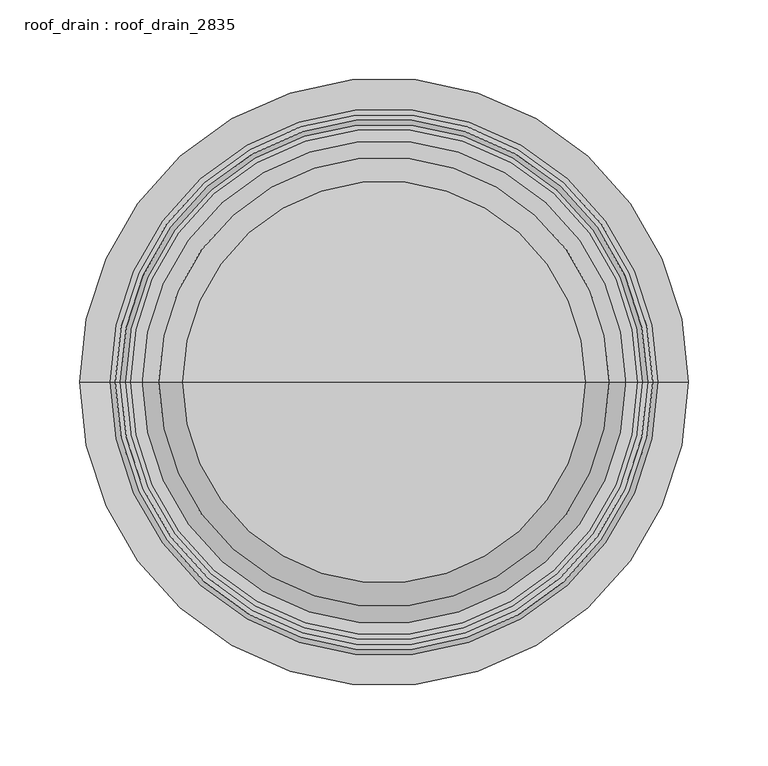
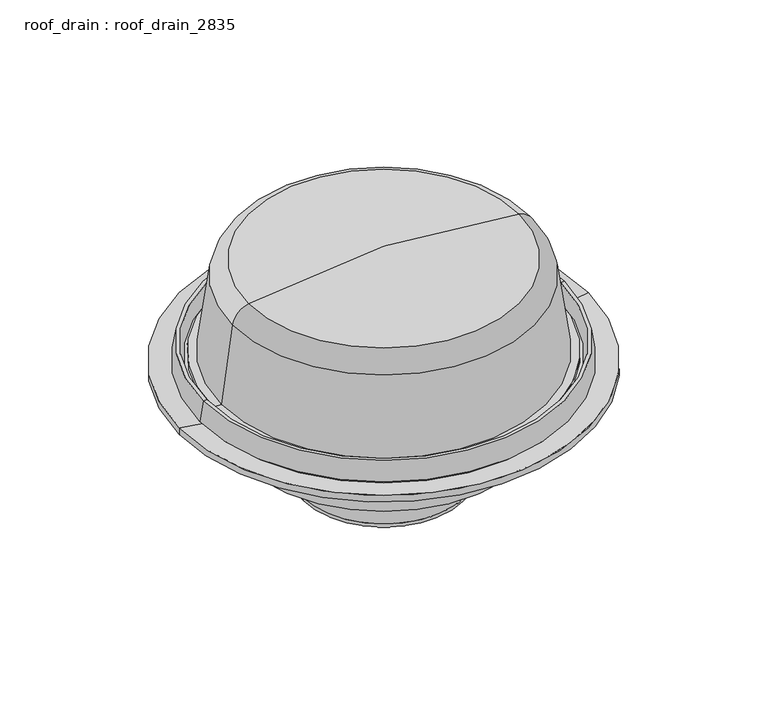
"""IFC4 building model written with IfcOpenShell, lengths in millimetres: proxy geometry, roof_drain : roof_drain_2835."""

from ifc_helpers import new_model, si_unit, point, frame, origin, place, context, project, spatial, polyline, circle_curve, ellipse_curve, trimmed, source, transform, mapped, element, save
from ifc_brep_helpers import plane_surface, cylinder_surface, revolved_surface, advanced_brep


def roof_drain_roof_drain_2835_c456325a(model_context):
    return source(origin(), model_context, "Body", "AdvancedBrep", [
        advanced_brep(
        [(-336.55, 0.0, 3732.1447843), (-19.05, 0.0, 3732.1447843), (12.7, 0.0, 3736.9072843), (-368.3, 0.0, 3736.9072843), (-312.7375, 0.0, 3732.1447843), (-42.8625, 0.0, 3732.1447843), (-312.7375, 0.0, 3698.8072843), (-42.8625, 0.0, 3698.8072843), (-292.1, 0.0, 3678.1697843), (-63.5, 0.0, 3678.1697843), (-263.525, 0.0, 3678.1697843), (-92.075, 0.0, 3678.1697843), (-249.2375, 0.0, 3663.8822843), (-106.3625, 0.0, 3663.8822843), (-249.2375, 0.0, 3628.9572843), (-106.3625, 0.0, 3628.9572843), (-247.65, 0.0, 3627.3697843), (-107.95, 0.0, 3627.3697843), (-244.475, 0.0, 3627.3697843), (-111.125, 0.0, 3627.3697843), (-244.475, 0.0, 3622.6072843), (-111.125, 0.0, 3622.6072843), (-247.65, 0.0, 3622.6072843), (-107.95, 0.0, 3622.6072843), (-254.0, 0.0, 3628.9572843), (-101.6, 0.0, 3628.9572843), (-254.0, 0.0, 3663.8822843), (-101.6, 0.0, 3663.8822843), (-263.525, 0.0, 3673.4072843), (-92.075, 0.0, 3673.4072843), (-292.1, 0.0, 3673.4072843), (-63.5, 0.0, 3673.4072843), (-317.5, 0.0, 3698.8072843), (-38.1, 0.0, 3698.8072843), (-317.5, 0.0, 3724.2072843), (-38.1, 0.0, 3724.2072843), (-368.3, 0.0, 3730.5572843), (12.7, 0.0, 3730.5572843)],
        [
            (0, 1, circle_curve(frame((-177.8, 0.0, 3732.1447843), z_axis=(0.0, 0.0, -1.0), x_axis=(1.0, 0.0, 0.0)), 158.75)),
            (1, 2),
            (2, 3, circle_curve(frame((-177.8, 0.0, 3736.9072843), z_axis=(0.0, 0.0, 1.0), x_axis=(1.0, 0.0, 0.0)), 190.5)),
            (3, 0),
            (1, 0, circle_curve(frame((-177.8, 0.0, 3732.1447843), z_axis=(0.0, 0.0, -1.0), x_axis=(1.0, 0.0, 0.0)), 158.75)),
            (3, 2, circle_curve(frame((-177.8, 0.0, 3736.9072843), z_axis=(0.0, 0.0, 1.0), x_axis=(1.0, 0.0, 0.0)), 190.5)),
            (4, 5, circle_curve(frame((-177.8, 0.0, 3732.1447843), z_axis=(0.0, 0.0, -1.0), x_axis=(1.0, 0.0, 0.0)), 134.9375)),
            (5, 1),
            (0, 4),
            (5, 4, circle_curve(frame((-177.8, 0.0, 3732.1447843), z_axis=(0.0, 0.0, -1.0), x_axis=(1.0, 0.0, 0.0)), 134.9375)),
            (6, 7, circle_curve(frame((-177.8, 0.0, 3698.8072843), z_axis=(0.0, 0.0, -1.0), x_axis=(1.0, 0.0, 0.0)), 134.9375)),
            (7, 5),
            (4, 6),
            (7, 6, circle_curve(frame((-177.8, 0.0, 3698.8072843), z_axis=(0.0, 0.0, -1.0), x_axis=(1.0, 0.0, 0.0)), 134.9375)),
            (8, 9, circle_curve(frame((-177.8, 0.0, 3678.1697843), z_axis=(0.0, 0.0, -1.0), x_axis=(1.0, 0.0, 0.0)), 114.3)),
            (9, 7, circle_curve(frame((-63.5, 0.0, 3698.8072843), z_axis=(0.0, -1.0, 0.0), x_axis=(1.0, 0.0, 0.0)), 20.6375)),
            (6, 8, circle_curve(frame((-292.1, 0.0, 3698.8072843), z_axis=(0.0, -1.0, 0.0), x_axis=(-1.0, 0.0, 0.0)), 20.6375)),
            (9, 8, circle_curve(frame((-177.8, 0.0, 3678.1697843), z_axis=(0.0, 0.0, -1.0), x_axis=(1.0, 0.0, 0.0)), 114.3)),
            (10, 11, circle_curve(frame((-177.8, 0.0, 3678.1697843), z_axis=(0.0, 0.0, -1.0), x_axis=(1.0, 0.0, 0.0)), 85.725)),
            (11, 9),
            (8, 10),
            (11, 10, circle_curve(frame((-177.8, 0.0, 3678.1697843), z_axis=(0.0, 0.0, -1.0), x_axis=(1.0, 0.0, 0.0)), 85.725)),
            (12, 13, circle_curve(frame((-177.8, 0.0, 3663.8822843), z_axis=(0.0, 0.0, -1.0), x_axis=(1.0, 0.0, 0.0)), 71.4375)),
            (13, 11, circle_curve(frame((-92.075, 0.0, 3663.8822843), z_axis=(0.0, 1.0, 0.0), x_axis=(1.0, 0.0, 0.0)), 14.2875)),
            (10, 12, circle_curve(frame((-263.525, 0.0, 3663.8822843), z_axis=(0.0, 1.0, 0.0), x_axis=(-1.0, 0.0, 0.0)), 14.2875)),
            (13, 12, circle_curve(frame((-177.8, 0.0, 3663.8822843), z_axis=(0.0, 0.0, -1.0), x_axis=(1.0, 0.0, 0.0)), 71.4375)),
            (14, 15, circle_curve(frame((-177.8, 0.0, 3628.9572843), z_axis=(0.0, 0.0, -1.0), x_axis=(1.0, 0.0, 0.0)), 71.4375)),
            (15, 13),
            (12, 14),
            (15, 14, circle_curve(frame((-177.8, 0.0, 3628.9572843), z_axis=(0.0, 0.0, -1.0), x_axis=(1.0, 0.0, 0.0)), 71.4375)),
            (16, 17, circle_curve(frame((-177.8, 0.0, 3627.3697843), z_axis=(0.0, 0.0, -1.0), x_axis=(1.0, 0.0, 0.0)), 69.85)),
            (17, 15, circle_curve(frame((-107.95, 0.0, 3628.9572843), z_axis=(0.0, -1.0, 0.0), x_axis=(1.0, 0.0, 0.0)), 1.5875)),
            (14, 16, circle_curve(frame((-247.65, 0.0, 3628.9572843), z_axis=(0.0, -1.0, 0.0), x_axis=(-1.0, 0.0, 0.0)), 1.5875)),
            (17, 16, circle_curve(frame((-177.8, 0.0, 3627.3697843), z_axis=(0.0, 0.0, -1.0), x_axis=(1.0, 0.0, 0.0)), 69.85)),
            (18, 19, circle_curve(frame((-177.8, 0.0, 3627.3697843), z_axis=(0.0, 0.0, -1.0), x_axis=(1.0, 0.0, 0.0)), 66.675)),
            (19, 17),
            (16, 18),
            (19, 18, circle_curve(frame((-177.8, 0.0, 3627.3697843), z_axis=(0.0, 0.0, -1.0), x_axis=(1.0, 0.0, 0.0)), 66.675)),
            (20, 21, circle_curve(frame((-177.8, 0.0, 3622.6072843), z_axis=(0.0, 0.0, -1.0), x_axis=(1.0, 0.0, 0.0)), 66.675)),
            (21, 19),
            (18, 20),
            (21, 20, circle_curve(frame((-177.8, 0.0, 3622.6072843), z_axis=(0.0, 0.0, -1.0), x_axis=(1.0, 0.0, 0.0)), 66.675)),
            (22, 23, circle_curve(frame((-177.8, 0.0, 3622.6072843), z_axis=(0.0, 0.0, -1.0), x_axis=(1.0, 0.0, 0.0)), 69.85)),
            (23, 21),
            (20, 22),
            (23, 22, circle_curve(frame((-177.8, 0.0, 3622.6072843), z_axis=(0.0, 0.0, -1.0), x_axis=(1.0, 0.0, 0.0)), 69.85)),
            (24, 25, circle_curve(frame((-177.8, 0.0, 3628.9572843), z_axis=(0.0, 0.0, -1.0), x_axis=(1.0, 0.0, 0.0)), 76.2)),
            (25, 23, circle_curve(frame((-107.95, 0.0, 3628.9572843), z_axis=(0.0, 1.0, 0.0), x_axis=(1.0, 0.0, 0.0)), 6.35)),
            (22, 24, circle_curve(frame((-247.65, 0.0, 3628.9572843), z_axis=(0.0, 1.0, 0.0), x_axis=(-1.0, 0.0, 0.0)), 6.35)),
            (25, 24, circle_curve(frame((-177.8, 0.0, 3628.9572843), z_axis=(0.0, 0.0, -1.0), x_axis=(1.0, 0.0, 0.0)), 76.2)),
            (26, 27, circle_curve(frame((-177.8, 0.0, 3663.8822843), z_axis=(0.0, 0.0, -1.0), x_axis=(1.0, 0.0, 0.0)), 76.2)),
            (27, 25),
            (24, 26),
            (27, 26, circle_curve(frame((-177.8, 0.0, 3663.8822843), z_axis=(0.0, 0.0, -1.0), x_axis=(1.0, 0.0, 0.0)), 76.2)),
            (28, 29, circle_curve(frame((-177.8, 0.0, 3673.4072843), z_axis=(0.0, 0.0, -1.0), x_axis=(1.0, 0.0, 0.0)), 85.725)),
            (29, 27, circle_curve(frame((-92.075, 0.0, 3663.8822843), z_axis=(0.0, -1.0, 0.0), x_axis=(1.0, 0.0, 0.0)), 9.525)),
            (26, 28, circle_curve(frame((-263.525, 0.0, 3663.8822843), z_axis=(0.0, -1.0, 0.0), x_axis=(-1.0, 0.0, 0.0)), 9.525)),
            (29, 28, circle_curve(frame((-177.8, 0.0, 3673.4072843), z_axis=(0.0, 0.0, -1.0), x_axis=(1.0, 0.0, 0.0)), 85.725)),
            (30, 31, circle_curve(frame((-177.8, 0.0, 3673.4072843), z_axis=(0.0, 0.0, -1.0), x_axis=(1.0, 0.0, 0.0)), 114.3)),
            (31, 29),
            (28, 30),
            (31, 30, circle_curve(frame((-177.8, 0.0, 3673.4072843), z_axis=(0.0, 0.0, -1.0), x_axis=(1.0, 0.0, 0.0)), 114.3)),
            (32, 33, circle_curve(frame((-177.8, 0.0, 3698.8072843), z_axis=(0.0, 0.0, -1.0), x_axis=(1.0, 0.0, 0.0)), 139.7)),
            (33, 31, circle_curve(frame((-63.5, 0.0, 3698.8072843), z_axis=(0.0, 1.0, 0.0), x_axis=(1.0, 0.0, 0.0)), 25.4)),
            (30, 32, circle_curve(frame((-292.1, 0.0, 3698.8072843), z_axis=(0.0, 1.0, 0.0), x_axis=(-1.0, 0.0, 0.0)), 25.4)),
            (33, 32, circle_curve(frame((-177.8, 0.0, 3698.8072843), z_axis=(0.0, 0.0, -1.0), x_axis=(1.0, 0.0, 0.0)), 139.7)),
            (34, 35, circle_curve(frame((-177.8, 0.0, 3724.2072843), z_axis=(0.0, 0.0, -1.0), x_axis=(1.0, 0.0, 0.0)), 139.7)),
            (35, 33),
            (32, 34),
            (35, 34, circle_curve(frame((-177.8, 0.0, 3724.2072843), z_axis=(0.0, 0.0, -1.0), x_axis=(1.0, 0.0, 0.0)), 139.7)),
            (36, 37, circle_curve(frame((-177.8, 0.0, 3730.5572843), z_axis=(0.0, 0.0, -1.0), x_axis=(1.0, 0.0, 0.0)), 190.5)),
            (37, 35),
            (34, 36),
            (37, 36, circle_curve(frame((-177.8, 0.0, 3730.5572843), z_axis=(0.0, 0.0, -1.0), x_axis=(1.0, 0.0, 0.0)), 190.5)),
            (2, 37),
            (36, 3),
        ],
        [
            revolved_surface(polyline([(12.7, 0.0, 3736.9072843), (-19.05, 0.0, 3732.1447843)]), (-177.8, 0.0, 3578.1572843), (0.0, 0.0, 1.0)),
            plane_surface(frame((-177.8, 0.0, 3732.1447843), z_axis=(0.0, 0.0, 1.0), x_axis=(1.0, 0.0, 0.0))),
            revolved_surface(polyline([(-42.86250000000001, 0.0, 3732.1447843), (-42.86250000000001, 0.0, 3698.8072843)]), (-177.8, 0.0, 3578.1572843), (0.0, 0.0, 1.0)),
            revolved_surface(trimmed(ellipse_curve(frame((-63.5, 0.0, 3698.8072843), z_axis=(0.0, 1.0, 0.0), x_axis=(1.0, 0.0, 0.0)), 20.6375, 20.6375), [point((-42.8625, 0.0, 3698.8072843))], [point((-63.5, 0.0, 3678.1697843))], True, "CARTESIAN"), (-177.8, 0.0, 3578.1572843), (0.0, 0.0, 1.0)),
            plane_surface(frame((-177.8, 0.0, 3678.1697843), z_axis=(0.0, 0.0, 1.0), x_axis=(1.0, 0.0, 0.0))),
            revolved_surface(trimmed(ellipse_curve(frame((-92.075, 0.0, 3663.8822843), z_axis=(0.0, -1.0, 0.0), x_axis=(1.0, 0.0, 0.0)), 14.2875, 14.2875), [point((-92.075, 0.0, 3678.1697843))], [point((-106.3625, 0.0, 3663.8822843))], True, "CARTESIAN"), (-177.8, 0.0, 3578.1572843), (0.0, 0.0, 1.0)),
            revolved_surface(polyline([(-106.36250000000001, 0.0, 3663.8822843), (-106.36250000000001, 0.0, 3628.9572843)]), (-177.8, 0.0, 3578.1572843), (0.0, 0.0, 1.0)),
            revolved_surface(trimmed(ellipse_curve(frame((-107.95, 0.0, 3628.9572843), z_axis=(0.0, 1.0, 0.0), x_axis=(1.0, 0.0, 0.0)), 1.5875, 1.5875), [point((-106.3625, 0.0, 3628.9572843))], [point((-107.95, 0.0, 3627.3697843))], True, "CARTESIAN"), (-177.8, 0.0, 3578.1572843), (0.0, 0.0, 1.0)),
            plane_surface(frame((-177.8, 0.0, 3627.3697843), z_axis=(0.0, 0.0, 1.0), x_axis=(1.0, 0.0, 0.0))),
            revolved_surface(polyline([(-111.12500000000001, 0.0, 3627.3697843), (-111.12500000000001, 0.0, 3622.6072843)]), (-177.8, 0.0, 3578.1572843), (0.0, 0.0, 1.0)),
            plane_surface(frame((-177.8, 0.0, 3622.6072843), z_axis=(0.0, 0.0, -1.0), x_axis=(1.0, 0.0, 0.0))),
            revolved_surface(trimmed(ellipse_curve(frame((-107.95, 0.0, 3628.9572843), z_axis=(0.0, -1.0, 0.0), x_axis=(1.0, 0.0, 0.0)), 6.35, 6.35), [point((-107.95, 0.0, 3622.6072843))], [point((-101.6, 0.0, 3628.9572843))], True, "CARTESIAN"), (-177.8, 0.0, 3578.1572843), (0.0, 0.0, 1.0)),
            cylinder_surface(frame((-177.8, 0.0, 3578.1572843), z_axis=(0.0, 0.0, 1.0), x_axis=(1.0, 0.0, 0.0)), 76.2),
            revolved_surface(trimmed(ellipse_curve(frame((-92.075, 0.0, 3663.8822843), z_axis=(0.0, 1.0, 0.0), x_axis=(1.0, 0.0, 0.0)), 9.525, 9.525), [point((-101.6, 0.0, 3663.8822843))], [point((-92.075, 0.0, 3673.4072843))], True, "CARTESIAN"), (-177.8, 0.0, 3578.1572843), (0.0, 0.0, 1.0)),
            plane_surface(frame((-177.8, 0.0, 3673.4072843), z_axis=(0.0, 0.0, -1.0), x_axis=(1.0, 0.0, 0.0))),
            revolved_surface(trimmed(ellipse_curve(frame((-63.5, 0.0, 3698.8072843), z_axis=(0.0, -1.0, 0.0), x_axis=(1.0, 0.0, 0.0)), 25.4, 25.4), [point((-63.5, 0.0, 3673.4072843))], [point((-38.1, 0.0, 3698.8072843))], True, "CARTESIAN"), (-177.8, 0.0, 3578.1572843), (0.0, 0.0, 1.0)),
            cylinder_surface(frame((-177.8, 0.0, 3578.1572843), z_axis=(0.0, 0.0, 1.0), x_axis=(1.0, 0.0, 0.0)), 139.7),
            revolved_surface(polyline([(-38.1, 0.0, 3724.2072843), (12.7, 0.0, 3730.5572843)]), (-177.8, 0.0, 3578.1572843), (0.0, 0.0, 1.0)),
            cylinder_surface(frame((-177.8, 0.0, 3578.1572843), z_axis=(0.0, 0.0, 1.0), x_axis=(1.0, 0.0, 0.0)), 190.5),
        ],
        [
            (0, [[1, 2, 3, 4]]),
            (0, [[5, -4, 6, -2]]),
            (1, [[7, 8, -1, 9]]),
            (1, [[10, -9, -5, -8]]),
            (2, [[11, 12, -7, 13]]),
            (2, [[14, -13, -10, -12]]),
            (3, [[15, 16, -11, 17]]),
            (3, [[18, -17, -14, -16]]),
            (4, [[19, 20, -15, 21]]),
            (4, [[22, -21, -18, -20]]),
            (5, [[23, 24, -19, 25]]),
            (5, [[26, -25, -22, -24]]),
            (6, [[27, 28, -23, 29]]),
            (6, [[30, -29, -26, -28]]),
            (7, [[31, 32, -27, 33]]),
            (7, [[34, -33, -30, -32]]),
            (8, [[35, 36, -31, 37]]),
            (8, [[38, -37, -34, -36]]),
            (9, [[39, 40, -35, 41]]),
            (9, [[42, -41, -38, -40]]),
            (10, [[43, 44, -39, 45]]),
            (10, [[46, -45, -42, -44]]),
            (11, [[47, 48, -43, 49]]),
            (11, [[50, -49, -46, -48]]),
            (12, [[51, 52, -47, 53]]),
            (12, [[54, -53, -50, -52]]),
            (13, [[55, 56, -51, 57]]),
            (13, [[58, -57, -54, -56]]),
            (14, [[59, 60, -55, 61]]),
            (14, [[62, -61, -58, -60]]),
            (15, [[63, 64, -59, 65]]),
            (15, [[66, -65, -62, -64]]),
            (16, [[67, 68, -63, 69]]),
            (16, [[70, -69, -66, -68]]),
            (17, [[71, 72, -67, 73]]),
            (17, [[74, -73, -70, -72]]),
            (18, [[-3, 75, -71, 76]]),
            (18, [[-6, -76, -74, -75]]),
        ],
    ),
        advanced_brep(
        [(-339.725, 0.0, 3741.6697843), (-15.875, 0.0, 3741.6697843), (-12.7, 0.0, 3755.9572843), (-342.9, 0.0, 3755.9572843), (-288.925, 0.0, 3741.6697843), (-66.675, 0.0, 3741.6697843), (-291.0416667, 0.0, 3728.9697843), (-64.5583333, 0.0, 3728.9697843), (-300.5666667, 0.0, 3728.9697843), (-55.0333333, 0.0, 3728.9697843), (-301.0958333, 0.0, 3732.1447843), (-54.5041667, 0.0, 3732.1447843), (-336.55, 0.0, 3732.1447843), (-19.05, 0.0, 3732.1447843), (-346.075, 0.0, 3733.7322843), (-9.525, 0.0, 3733.7322843), (-349.25, 0.0, 3736.9072843), (-6.35, 0.0, 3736.9072843), (-346.075, 0.0, 3755.9572843), (-9.525, 0.0, 3755.9572843)],
        [
            (0, 1, circle_curve(frame((-177.8, 0.0, 3741.6697843), z_axis=(0.0, 0.0, -1.0), x_axis=(1.0, 0.0, 0.0)), 161.925)),
            (1, 2),
            (2, 3, circle_curve(frame((-177.8, 0.0, 3755.9572843), z_axis=(0.0, 0.0, 1.0), x_axis=(1.0, 0.0, 0.0)), 165.1)),
            (3, 0),
            (1, 0, circle_curve(frame((-177.8, 0.0, 3741.6697843), z_axis=(0.0, 0.0, -1.0), x_axis=(1.0, 0.0, 0.0)), 161.925)),
            (3, 2, circle_curve(frame((-177.8, 0.0, 3755.9572843), z_axis=(0.0, 0.0, 1.0), x_axis=(1.0, 0.0, 0.0)), 165.1)),
            (4, 5, circle_curve(frame((-177.8, 0.0, 3741.6697843), z_axis=(0.0, 0.0, -1.0), x_axis=(1.0, 0.0, 0.0)), 111.125)),
            (5, 1),
            (0, 4),
            (5, 4, circle_curve(frame((-177.8, 0.0, 3741.6697843), z_axis=(0.0, 0.0, -1.0), x_axis=(1.0, 0.0, 0.0)), 111.125)),
            (6, 7, circle_curve(frame((-177.8, 0.0, 3728.9697843), z_axis=(0.0, 0.0, -1.0), x_axis=(1.0, 0.0, 0.0)), 113.2416667)),
            (7, 5),
            (4, 6),
            (7, 6, circle_curve(frame((-177.8, 0.0, 3728.9697843), z_axis=(0.0, 0.0, -1.0), x_axis=(1.0, 0.0, 0.0)), 113.2416667)),
            (8, 9, circle_curve(frame((-177.8, 0.0, 3728.9697843), z_axis=(0.0, 0.0, -1.0), x_axis=(1.0, 0.0, 0.0)), 122.7666667)),
            (9, 7),
            (6, 8),
            (9, 8, circle_curve(frame((-177.8, 0.0, 3728.9697843), z_axis=(0.0, 0.0, -1.0), x_axis=(1.0, 0.0, 0.0)), 122.7666667)),
            (10, 11, circle_curve(frame((-177.8, 0.0, 3732.1447843), z_axis=(0.0, 0.0, -1.0), x_axis=(1.0, 0.0, 0.0)), 123.2958333)),
            (11, 9),
            (8, 10),
            (11, 10, circle_curve(frame((-177.8, 0.0, 3732.1447843), z_axis=(0.0, 0.0, -1.0), x_axis=(1.0, 0.0, 0.0)), 123.2958333)),
            (12, 13, circle_curve(frame((-177.8, 0.0, 3732.1447843), z_axis=(0.0, 0.0, -1.0), x_axis=(1.0, 0.0, 0.0)), 158.75)),
            (13, 11),
            (10, 12),
            (13, 12, circle_curve(frame((-177.8, 0.0, 3732.1447843), z_axis=(0.0, 0.0, -1.0), x_axis=(1.0, 0.0, 0.0)), 158.75)),
            (14, 15, circle_curve(frame((-177.8, 0.0, 3733.7322843), z_axis=(0.0, 0.0, -1.0), x_axis=(1.0, 0.0, 0.0)), 168.275)),
            (15, 13),
            (12, 14),
            (15, 14, circle_curve(frame((-177.8, 0.0, 3733.7322843), z_axis=(0.0, 0.0, -1.0), x_axis=(1.0, 0.0, 0.0)), 168.275)),
            (16, 17, circle_curve(frame((-177.8, 0.0, 3736.9072843), z_axis=(0.0, 0.0, -1.0), x_axis=(1.0, 0.0, 0.0)), 171.45)),
            (17, 15),
            (14, 16),
            (17, 16, circle_curve(frame((-177.8, 0.0, 3736.9072843), z_axis=(0.0, 0.0, -1.0), x_axis=(1.0, 0.0, 0.0)), 171.45)),
            (18, 19, circle_curve(frame((-177.8, 0.0, 3755.9572843), z_axis=(0.0, 0.0, -1.0), x_axis=(1.0, 0.0, 0.0)), 168.275)),
            (19, 17),
            (16, 18),
            (19, 18, circle_curve(frame((-177.8, 0.0, 3755.9572843), z_axis=(0.0, 0.0, -1.0), x_axis=(1.0, 0.0, 0.0)), 168.275)),
            (2, 19),
            (18, 3),
        ],
        [
            revolved_surface(polyline([(-12.7, 0.0, 3755.9572843), (-15.875, 0.0, 3741.6697843)]), (-177.8, 0.0, 3621.0197843), (0.0, 0.0, 1.0)),
            plane_surface(frame((-177.8, 0.0, 3741.6697843), z_axis=(0.0, 0.0, 1.0), x_axis=(1.0, 0.0, 0.0))),
            revolved_surface(polyline([(-66.675, 0.0, 3741.6697843), (-64.5583333, 0.0, 3728.9697843)]), (-177.8, 0.0, 3621.0197843), (0.0, 0.0, 1.0)),
            plane_surface(frame((-177.8, 0.0, 3728.9697843), z_axis=(0.0, 0.0, -1.0), x_axis=(1.0, 0.0, 0.0))),
            revolved_surface(polyline([(-55.0333333, 0.0, 3728.9697843), (-54.5041667, 0.0, 3732.1447843)]), (-177.8, 0.0, 3621.0197843), (0.0, 0.0, 1.0)),
            plane_surface(frame((-177.8, 0.0, 3732.1447843), z_axis=(0.0, 0.0, -1.0), x_axis=(1.0, 0.0, 0.0))),
            revolved_surface(polyline([(-19.05, 0.0, 3732.1447843), (-9.525, 0.0, 3733.7322843)]), (-177.8, 0.0, 3621.0197843), (0.0, 0.0, 1.0)),
            revolved_surface(polyline([(-9.525, 0.0, 3733.7322843), (-6.35, 0.0, 3736.9072843)]), (-177.8, 0.0, 3621.0197843), (0.0, 0.0, 1.0)),
            revolved_surface(polyline([(-6.35, 0.0, 3736.9072843), (-9.525, 0.0, 3755.9572843)]), (-177.8, 0.0, 3621.0197843), (0.0, 0.0, 1.0)),
            plane_surface(frame((-177.8, 0.0, 3755.9572843), z_axis=(0.0, 0.0, 1.0), x_axis=(1.0, 0.0, 0.0))),
        ],
        [
            (0, [[1, 2, 3, 4]]),
            (0, [[5, -4, 6, -2]]),
            (1, [[7, 8, -1, 9]]),
            (1, [[10, -9, -5, -8]]),
            (2, [[11, 12, -7, 13]]),
            (2, [[14, -13, -10, -12]]),
            (3, [[15, 16, -11, 17]]),
            (3, [[18, -17, -14, -16]]),
            (4, [[19, 20, -15, 21]]),
            (4, [[22, -21, -18, -20]]),
            (5, [[23, 24, -19, 25]]),
            (5, [[26, -25, -22, -24]]),
            (6, [[27, 28, -23, 29]]),
            (6, [[30, -29, -26, -28]]),
            (7, [[31, 32, -27, 33]]),
            (7, [[34, -33, -30, -32]]),
            (8, [[35, 36, -31, 37]]),
            (8, [[38, -37, -34, -36]]),
            (9, [[-3, 39, -35, 40]]),
            (9, [[-6, -40, -38, -39]]),
        ],
    ),
        advanced_brep(
        [(-177.8, 0.0, 3849.6197843), (-51.8994828, 0.0, 3837.1409017), (-303.7005172, 0.0, 3837.1409017), (-302.7656124, 0.0, 3832.4710667), (-52.8343876, 0.0, 3832.4710667), (-177.8, 0.0, 3844.8572843), (-314.1100912, 0.0, 3820.4447369), (-41.4899088, 0.0, 3820.4447369), (-325.1513245, 0.0, 3741.6697843), (-30.4486755, 0.0, 3741.6697843), (-336.55, 0.0, 3741.6697843), (-19.05, 0.0, 3741.6697843), (-336.55, 0.0, 3746.4322843), (-19.05, 0.0, 3746.4322843), (-329.2928571, 0.0, 3746.4322843), (-26.3071429, 0.0, 3746.4322843), (-318.826489, 0.0, 3821.1057954), (-36.773511, 0.0, 3821.1057954)],
        [
            (0, 1, circle_curve(frame((-177.8, 0.0, 3208.2697843), z_axis=(0.0, 1.0, 0.0), x_axis=(1.0, 0.0, 0.0)), 641.35)),
            (1, 2, circle_curve(frame((-177.8, 0.0, 3837.1409017), z_axis=(0.0, 0.0, 1.0), x_axis=(1.0, 0.0, 0.0)), 125.9005172)),
            (2, 0, circle_curve(frame((-177.8, 0.0, 3208.2697843), z_axis=(0.0, 1.0, 0.0), x_axis=(-1.0, 0.0, 0.0)), 641.35)),
            (2, 1, circle_curve(frame((-177.8, 0.0, 3837.1409017), z_axis=(0.0, 0.0, 1.0), x_axis=(1.0, 0.0, 0.0)), 125.9005172)),
            (3, 4, circle_curve(frame((-177.8, 0.0, 3832.4710667), z_axis=(0.0, 0.0, -1.0), x_axis=(1.0, 0.0, 0.0)), 124.9656124)),
            (4, 5, circle_curve(frame((-177.8, 0.0, 3208.2697843), z_axis=(0.0, -1.0, 0.0), x_axis=(1.0, 0.0, 0.0)), 636.5875)),
            (5, 3, circle_curve(frame((-177.8, 0.0, 3208.2697843), z_axis=(0.0, -1.0, 0.0), x_axis=(-1.0, 0.0, 0.0)), 636.5875)),
            (4, 3, circle_curve(frame((-177.8, 0.0, 3832.4710667), z_axis=(0.0, 0.0, -1.0), x_axis=(1.0, 0.0, 0.0)), 124.9656124)),
            (6, 7, circle_curve(frame((-177.8, 0.0, 3820.4447369), z_axis=(0.0, 0.0, -1.0), x_axis=(1.0, 0.0, 0.0)), 136.3100912)),
            (7, 4, circle_curve(frame((-55.6391021, 0.0, 3818.4615616), z_axis=(0.0, -1.0, 0.0), x_axis=(1.0, 0.0, 0.0)), 14.2875)),
            (3, 6, circle_curve(frame((-299.9608979, 0.0, 3818.4615616), z_axis=(0.0, -1.0, 0.0), x_axis=(-1.0, 0.0, 0.0)), 14.2875)),
            (7, 6, circle_curve(frame((-177.8, 0.0, 3820.4447369), z_axis=(0.0, 0.0, -1.0), x_axis=(1.0, 0.0, 0.0)), 136.3100912)),
            (8, 9, circle_curve(frame((-177.8, 0.0, 3741.6697843), z_axis=(0.0, 0.0, -1.0), x_axis=(1.0, 0.0, 0.0)), 147.3513245)),
            (9, 7),
            (6, 8),
            (9, 8, circle_curve(frame((-177.8, 0.0, 3741.6697843), z_axis=(0.0, 0.0, -1.0), x_axis=(1.0, 0.0, 0.0)), 147.3513245)),
            (10, 11, circle_curve(frame((-177.8, 0.0, 3741.6697843), z_axis=(0.0, 0.0, -1.0), x_axis=(1.0, 0.0, 0.0)), 158.75)),
            (11, 9),
            (8, 10),
            (11, 10, circle_curve(frame((-177.8, 0.0, 3741.6697843), z_axis=(0.0, 0.0, -1.0), x_axis=(1.0, 0.0, 0.0)), 158.75)),
            (12, 13, circle_curve(frame((-177.8, 0.0, 3746.4322843), z_axis=(0.0, 0.0, -1.0), x_axis=(1.0, 0.0, 0.0)), 158.75)),
            (13, 11),
            (10, 12),
            (13, 12, circle_curve(frame((-177.8, 0.0, 3746.4322843), z_axis=(0.0, 0.0, -1.0), x_axis=(1.0, 0.0, 0.0)), 158.75)),
            (14, 15, circle_curve(frame((-177.8, 0.0, 3746.4322843), z_axis=(0.0, 0.0, -1.0), x_axis=(1.0, 0.0, 0.0)), 151.4928571)),
            (15, 13),
            (12, 14),
            (15, 14, circle_curve(frame((-177.8, 0.0, 3746.4322843), z_axis=(0.0, 0.0, -1.0), x_axis=(1.0, 0.0, 0.0)), 151.4928571)),
            (16, 17, circle_curve(frame((-177.8, 0.0, 3821.1057954), z_axis=(0.0, 0.0, -1.0), x_axis=(1.0, 0.0, 0.0)), 141.026489)),
            (17, 15),
            (14, 16),
            (17, 16, circle_curve(frame((-177.8, 0.0, 3821.1057954), z_axis=(0.0, 0.0, -1.0), x_axis=(1.0, 0.0, 0.0)), 141.026489)),
            (1, 17, circle_curve(frame((-55.6391021, 0.0, 3818.4615616), z_axis=(0.0, 1.0, 0.0), x_axis=(1.0, 0.0, 0.0)), 19.05)),
            (16, 2, circle_curve(frame((-299.9608979, 0.0, 3818.4615616), z_axis=(0.0, 1.0, 0.0), x_axis=(-1.0, 0.0, 0.0)), 19.05)),
        ],
        [
            revolved_surface(trimmed(ellipse_curve(frame((-177.8, 0.0, 3208.2697843), z_axis=(0.0, -1.0, 0.0), x_axis=(1.0, 0.0, 0.0)), 641.35, 641.35), [point((-51.8994828, 0.0, 3837.1409017))], [point((-177.8, 0.0, 3849.6197843))], True, "CARTESIAN"), (-177.8, 0.0, 3589.2697843), (0.0, 0.0, 1.0)),
            revolved_surface(trimmed(ellipse_curve(frame((-177.8, 0.0, 3208.2697843), z_axis=(0.0, 1.0, 0.0), x_axis=(1.0, 0.0, 0.0)), 636.5875, 636.5875), [point((-177.8, 0.0, 3844.8572843))], [point((-52.8343876, 0.0, 3832.4710667))], True, "CARTESIAN"), (-177.8, 0.0, 3589.2697843), (0.0, 0.0, 1.0)),
            revolved_surface(trimmed(ellipse_curve(frame((-55.6391021, 0.0, 3818.4615616), z_axis=(0.0, 1.0, 0.0), x_axis=(1.0, 0.0, 0.0)), 14.2875, 14.2875), [point((-52.8343876, 0.0, 3832.4710667))], [point((-41.4899088, 0.0, 3820.4447369))], True, "CARTESIAN"), (-177.8, 0.0, 3589.2697843), (0.0, 0.0, 1.0)),
            revolved_surface(polyline([(-41.4899088, 0.0, 3820.4447369), (-30.4486755, 0.0, 3741.6697843)]), (-177.8, 0.0, 3589.2697843), (0.0, 0.0, 1.0)),
            plane_surface(frame((-177.8, 0.0, 3741.6697843), z_axis=(0.0, 0.0, -1.0), x_axis=(1.0, 0.0, 0.0))),
            cylinder_surface(frame((-177.8, 0.0, 3589.2697843), z_axis=(0.0, 0.0, 1.0), x_axis=(1.0, 0.0, 0.0)), 158.75),
            plane_surface(frame((-177.8, 0.0, 3746.4322843), z_axis=(0.0, 0.0, 1.0), x_axis=(1.0, 0.0, 0.0))),
            revolved_surface(polyline([(-26.3071429, 0.0, 3746.4322843), (-36.773511, 0.0, 3821.1057954)]), (-177.8, 0.0, 3589.2697843), (0.0, 0.0, 1.0)),
            revolved_surface(trimmed(ellipse_curve(frame((-55.6391021, 0.0, 3818.4615616), z_axis=(0.0, -1.0, 0.0), x_axis=(1.0, 0.0, 0.0)), 19.05, 19.05), [point((-36.773511, 0.0, 3821.1057954))], [point((-51.8994828, 0.0, 3837.1409017))], True, "CARTESIAN"), (-177.8, 0.0, 3589.2697843), (0.0, 0.0, 1.0)),
        ],
        [
            (0, [[1, 2, 3]]),
            (0, [[-3, 4, -1]]),
            (1, [[5, 6, 7]]),
            (1, [[8, -7, -6]]),
            (2, [[9, 10, -5, 11]]),
            (2, [[12, -11, -8, -10]]),
            (3, [[13, 14, -9, 15]]),
            (3, [[16, -15, -12, -14]]),
            (4, [[17, 18, -13, 19]]),
            (4, [[20, -19, -16, -18]]),
            (5, [[21, 22, -17, 23]]),
            (5, [[24, -23, -20, -22]]),
            (6, [[25, 26, -21, 27]]),
            (6, [[28, -27, -24, -26]]),
            (7, [[29, 30, -25, 31]]),
            (7, [[32, -31, -28, -30]]),
            (8, [[-2, 33, -29, 34]]),
            (8, [[-4, -34, -32, -33]]),
        ],
    ),
    ])


if __name__ == "__main__":
    model = new_model("IFC4")
    model_context = context("Model", 3, world=origin())
    ifc_project = project(units=[si_unit("LENGTHUNIT", "METRE", prefix="MILLI")], contexts=[model_context])
    site = spatial("IfcSite", under=ifc_project)
    building = spatial("IfcBuilding", under=site)
    placement = place(None, origin())
    roof_drain_roof_drain_2835_shape = roof_drain_roof_drain_2835_c456325a(model_context)
    element("IfcBuildingElementProxy", 1, Name="roof_drain : roof_drain_2835", ObjectType="roof_drain : roof_drain_2835", at=placement, inside=building, context=model_context, shape_type="MappedRepresentation", body=[
        mapped(roof_drain_roof_drain_2835_shape, transform((0.0, 0.0, 0.0), x_axis=(1.0, 0.0, 0.0), y_axis=(0.0, 1.0, 0.0), z_axis=(0.0, 0.0, 1.0))),
    ])
    save(model, "model.ifc")
